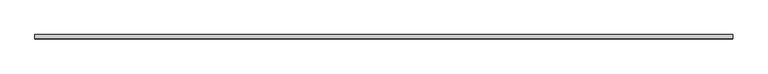
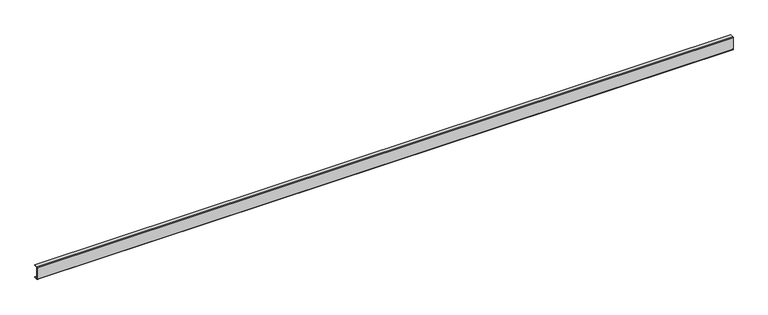
"""IFC4 building model written with IfcOpenShell, lengths in millimetres: proxy geometry."""

from ifc_helpers import new_model, si_unit, point, frame, frame_2d, origin, place, context, project, spatial, polyline, circle_curve, trimmed, segment, composite_curve, outline, extrude, source, transform, mapped, element, save


def mechanical_equipment_51015863(model_context):
    return source(origin(), model_context, "Body", "SweptSolid", [
        extrude(outline(composite_curve([segment(polyline([(6.0, 36.4), (-4.4, 36.4), (-4.4, 1.6), (6.0, 1.6), (6.0, 0.0), (-4.4, 0.0)]), True, "CONTINUOUS"), segment(trimmed(circle_curve(frame_2d((-4.4, 1.6)), 1.6), [point((-4.4, 0.0))], [point((-6.0, 1.6))], False, "CARTESIAN"), True, "CONTINUOUS"), segment(polyline([(-6.0, 1.6), (-6.0, 36.4)]), True, "CONTINUOUS"), segment(trimmed(circle_curve(frame_2d((-4.4, 36.4)), 1.6), [point((-6.0, 36.4))], [point((-4.4, 38.0))], False, "CARTESIAN"), True, "CONTINUOUS"), segment(polyline([(-4.4, 38.0), (6.0, 38.0), (6.0, 36.4)]), True, "CONTINUOUS")], self_intersect=False)), frame((0.0, 0.0, 0.0), z_axis=(1.0, 0.0, 0.0), x_axis=(0.0, 1.0, 0.0)), (0.0, 0.0, 1.0), 2000.0),
    ])


if __name__ == "__main__":
    model = new_model("IFC4")
    model_context = context("Model", 3, world=origin())
    ifc_project = project(units=[si_unit("LENGTHUNIT", "METRE", prefix="MILLI")], contexts=[model_context])
    site = spatial("IfcSite", under=ifc_project)
    building = spatial("IfcBuilding", under=site)
    placement = place(None, origin())
    mechanical_equipment_shape = mechanical_equipment_51015863(model_context)
    element("IfcBuildingElementProxy", 1, Name="Mechanical Equipment", at=placement, inside=building, context=model_context, shape_type="MappedRepresentation", body=[
        mapped(mechanical_equipment_shape, transform((0.0, 0.0, 0.0), x_axis=(1.0, 0.0, 0.0), y_axis=(0.0, 1.0, 0.0), z_axis=(0.0, 0.0, 1.0))),
    ])
    save(model, "model.ifc")
